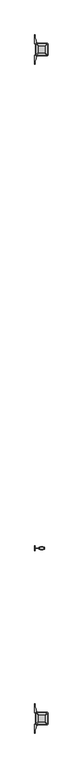
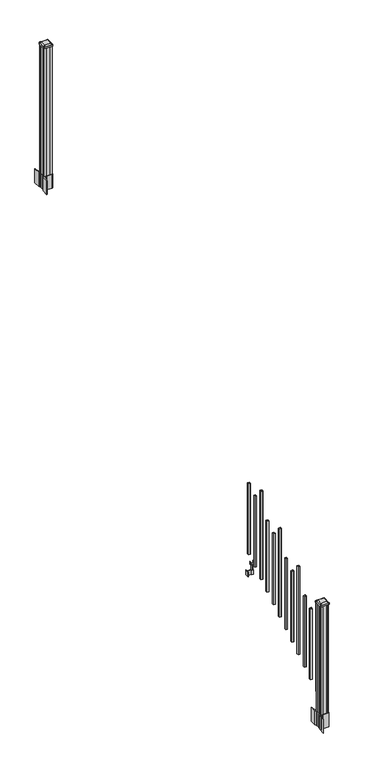
"""IFC4 building model written with IfcOpenShell, lengths in millimetres: railing geometry."""

from ifc_helpers import new_model, si_unit, point, frame, frame_2d, origin, place, context, project, spatial, polyline, circle_curve, trimmed, segment, composite_curve, outline, extrude, source, transform, mapped, element, save
from ifc_brep_helpers import plane_surface, extruded_surface, advanced_brep


def railing_dc10371b(model_context):
    return source(origin(), model_context, "Body", "SolidModel", [
        extrude(outline(polyline([(11084.3626478, -114690.6918453), (11065.3126478, -114690.6918453), (11065.3126478, -114671.6418453), (11084.3626478, -114671.6418453), (11084.3626478, -114690.6918453)]), holes=[polyline([(11083.9657728, -114690.2949703), (11083.9657728, -114672.0387203), (11065.7095228, -114672.0387203), (11065.7095228, -114690.2949703), (11083.9657728, -114690.2949703)])]), frame((0.0, 0.0, 1089.6558781), z_axis=(0.0, 0.0, 1.0), x_axis=(1.0, 0.0, 0.0)), (0.0, 0.0, 1.0), 774.7041219),
        extrude(outline(polyline([(11064.169648, -114738.0628453), (11024.7996478, -114738.0628453), (11024.7996478, -114735.5228453), (11064.169648, -114735.5228453), (11064.169648, -114738.0628453)])), frame((0.0, 0.0, 902.49375), z_axis=(0.0, 0.0, 1.0), x_axis=(1.0, 0.0, 0.0)), (0.0, 0.0, 1.0), 50.8),
        extrude(outline(polyline([(11024.7996478, -114755.8428453), (11022.2596478, -114755.8428453), (11022.2596478, -114717.7428453), (11024.7996478, -114717.7428453), (11024.7996478, -114755.8428453)])), frame((0.0, 0.0, 902.49375), z_axis=(0.0, 0.0, 1.0), x_axis=(1.0, 0.0, 0.0)), (0.0, 0.0, 1.0), 50.8),
        extrude(outline(polyline([(11085.5056485, -114746.6988453), (11064.169648, -114746.6988453), (11064.169648, -114726.8868453), (11085.5056485, -114726.8868453), (11085.5056485, -114746.6988453)]), holes=[polyline([(11082.2036484, -114744.1588453), (11082.2036484, -114729.4268453), (11067.4716481, -114729.4268453), (11067.4716481, -114744.1588453), (11082.2036484, -114744.1588453)])]), frame((0.0, 0.0, 902.49375), z_axis=(0.0, 0.0, 1.0), x_axis=(1.0, 0.0, 0.0)), (0.0, 0.0, 1.0), 50.8),
        extrude(outline(polyline([(1042.0141479, 11056.6766489), (1041.2521469, 11055.9146479), (1014.7617523, 11055.9146479), (1013.9997513, 11056.6766489), (1013.9997513, 11066.709648), (1013.2377512, 11067.4716481), (949.7377512, 11067.4716481), (949.7377512, 11082.2036484), (1013.2377512, 11082.2036484), (1013.9997513, 11082.9656485), (1013.9997513, 11092.9986475), (1014.7617523, 11093.7606486), (1041.2521469, 11093.7606486), (1042.0141479, 11092.9986475), (1042.0141479, 11090.966648), (1040.9981453, 11089.9506482), (1030.5623581, 11089.9506482), (1029.5463573, 11090.966648), (1017.555751, 11090.966648), (1016.7937519, 11090.2046488), (1016.7937519, 11059.4706477), (1017.555751, 11058.7086485), (1029.5463573, 11058.7086485), (1030.5623581, 11059.7246483), (1040.9981453, 11059.7246483), (1042.0141479, 11058.7086485), (1042.0141479, 11056.6766489)]), holes=[polyline([(1013.9997513, 11078.2666481), (1013.2377512, 11079.0286482), (957.2307531, 11079.0286482), (956.4687531, 11078.2666481), (956.4687531, 11071.4086455), (957.2307503, 11070.6466483), (1013.2377512, 11070.6466483), (1013.9997513, 11071.4086483), (1013.9997513, 11078.2666481)])]), frame((0.0, -114744.1588453, 0.0), z_axis=(0.0, 1.0, 0.0), x_axis=(0.0, 0.0, 1.0)), (0.0, 0.0, 1.0), 14.732),
        extrude(outline(polyline([(11084.3626478, -114801.9438453), (11065.3126478, -114801.9438453), (11065.3126478, -114782.8938453), (11084.3626478, -114782.8938453), (11084.3626478, -114801.9438453)]), holes=[polyline([(11083.9657728, -114801.5469703), (11083.9657728, -114783.2907203), (11065.7095228, -114783.2907203), (11065.7095228, -114801.5469703), (11083.9657728, -114801.5469703)])]), frame((0.0, 0.0, 1020.1233781), z_axis=(0.0, 0.0, 1.0), x_axis=(1.0, 0.0, 0.0)), (0.0, 0.0, 1.0), 774.7041219),
        extrude(outline(polyline([(11084.3626478, -114913.1958453), (11065.3126478, -114913.1958453), (11065.3126478, -114894.1458453), (11084.3626478, -114894.1458453), (11084.3626478, -114913.1958453)]), holes=[polyline([(11083.9657728, -114912.7989703), (11083.9657728, -114894.5427203), (11065.7095228, -114894.5427203), (11065.7095228, -114912.7989703), (11083.9657728, -114912.7989703)])]), frame((0.0, 0.0, 950.5908781), z_axis=(0.0, 0.0, 1.0), x_axis=(1.0, 0.0, 0.0)), (0.0, 0.0, 1.0), 965.2041219),
        extrude(outline(polyline([(11084.3626478, -115024.4478453), (11065.3126478, -115024.4478453), (11065.3126478, -115005.3978453), (11084.3626478, -115005.3978453), (11084.3626478, -115024.4478453)]), holes=[polyline([(11083.9657728, -115024.0509703), (11083.9657728, -115005.7947203), (11065.7095228, -115005.7947203), (11065.7095228, -115024.0509703), (11083.9657728, -115024.0509703)])]), frame((0.0, 0.0, 881.0583781), z_axis=(0.0, 0.0, 1.0), x_axis=(1.0, 0.0, 0.0)), (0.0, 0.0, 1.0), 774.7041219),
        extrude(outline(polyline([(11084.3626478, -115135.6998453), (11065.3126478, -115135.6998453), (11065.3126478, -115116.6498453), (11084.3626478, -115116.6498453), (11084.3626478, -115135.6998453)]), holes=[polyline([(11083.9657728, -115135.3029703), (11083.9657728, -115117.0467203), (11065.7095228, -115117.0467203), (11065.7095228, -115135.3029703), (11083.9657728, -115135.3029703)])]), frame((0.0, 0.0, 811.5258781), z_axis=(0.0, 0.0, 1.0), x_axis=(1.0, 0.0, 0.0)), (0.0, 0.0, 1.0), 774.7041219),
        extrude(outline(polyline([(11084.3626478, -115246.9518453), (11065.3126478, -115246.9518453), (11065.3126478, -115227.9018453), (11084.3626478, -115227.9018453), (11084.3626478, -115246.9518453)]), holes=[polyline([(11083.9657728, -115246.5549703), (11083.9657728, -115228.2987203), (11065.7095228, -115228.2987203), (11065.7095228, -115246.5549703), (11083.9657728, -115246.5549703)])]), frame((0.0, 0.0, 741.9933781), z_axis=(0.0, 0.0, 1.0), x_axis=(1.0, 0.0, 0.0)), (0.0, 0.0, 1.0), 965.2041219),
        extrude(outline(polyline([(11084.3626478, -115358.2038453), (11065.3126478, -115358.2038453), (11065.3126478, -115339.1538453), (11084.3626478, -115339.1538453), (11084.3626478, -115358.2038453)]), holes=[polyline([(11083.9657728, -115357.8069703), (11083.9657728, -115339.5507203), (11065.7095228, -115339.5507203), (11065.7095228, -115357.8069703), (11083.9657728, -115357.8069703)])]), frame((0.0, 0.0, 672.4608781), z_axis=(0.0, 0.0, 1.0), x_axis=(1.0, 0.0, 0.0)), (0.0, 0.0, 1.0), 774.7041219),
        extrude(outline(polyline([(11084.3626478, -115469.4558453), (11065.3126478, -115469.4558453), (11065.3126478, -115450.4058453), (11084.3626478, -115450.4058453), (11084.3626478, -115469.4558453)]), holes=[polyline([(11083.9657728, -115469.0589703), (11083.9657728, -115450.8027203), (11065.7095228, -115450.8027203), (11065.7095228, -115469.0589703), (11083.9657728, -115469.0589703)])]), frame((0.0, 0.0, 602.9283781), z_axis=(0.0, 0.0, 1.0), x_axis=(1.0, 0.0, 0.0)), (0.0, 0.0, 1.0), 774.7041219),
        extrude(outline(polyline([(11084.3626478, -115580.7078453), (11065.3126478, -115580.7078453), (11065.3126478, -115561.6578453), (11084.3626478, -115561.6578453), (11084.3626478, -115580.7078453)]), holes=[polyline([(11083.9657728, -115580.3109703), (11083.9657728, -115562.0547203), (11065.7095228, -115562.0547203), (11065.7095228, -115580.3109703), (11083.9657728, -115580.3109703)])]), frame((0.0, 0.0, 533.3958781), z_axis=(0.0, 0.0, 1.0), x_axis=(1.0, 0.0, 0.0)), (0.0, 0.0, 1.0), 965.2041219),
        extrude(outline(polyline([(11084.3626478, -115691.9598453), (11065.3126478, -115691.9598453), (11065.3126478, -115672.9098453), (11084.3626478, -115672.9098453), (11084.3626478, -115691.9598453)]), holes=[polyline([(11083.9657728, -115691.5629703), (11083.9657728, -115673.3067203), (11065.7095228, -115673.3067203), (11065.7095228, -115691.5629703), (11083.9657728, -115691.5629703)])]), frame((0.0, 0.0, 463.8633781), z_axis=(0.0, 0.0, 1.0), x_axis=(1.0, 0.0, 0.0)), (0.0, 0.0, 1.0), 774.7041219),
        extrude(outline(polyline([(11084.3626478, -115803.2118453), (11065.3126478, -115803.2118453), (11065.3126478, -115784.1618453), (11084.3626478, -115784.1618453), (11084.3626478, -115803.2118453)]), holes=[polyline([(11083.9657728, -115802.8149703), (11083.9657728, -115784.5587203), (11065.7095228, -115784.5587203), (11065.7095228, -115802.8149703), (11083.9657728, -115802.8149703)])]), frame((0.0, 0.0, 394.3308781), z_axis=(0.0, 0.0, 1.0), x_axis=(1.0, 0.0, 0.0)), (0.0, 0.0, 1.0), 774.7041219),
        extrude(outline(polyline([(11084.3626478, -115914.4638453), (11065.3126478, -115914.4638453), (11065.3126478, -115895.4138453), (11084.3626478, -115895.4138453), (11084.3626478, -115914.4638453)]), holes=[polyline([(11083.9657728, -115914.0669703), (11083.9657728, -115895.8107203), (11065.7095228, -115895.8107203), (11065.7095228, -115914.0669703), (11083.9657728, -115914.0669703)])]), frame((0.0, 0.0, 324.7983781), z_axis=(0.0, 0.0, 1.0), x_axis=(1.0, 0.0, 0.0)), (0.0, 0.0, 1.0), 965.2041219),
        extrude(outline(polyline([(11035.1501478, -111080.3358453), (11033.5626478, -111078.7483453), (11033.5626478, -111059.1268453), (11035.1501478, -111058.3648453), (11035.1501478, -111019.7568453), (11033.5626478, -111018.9948453), (11033.5626478, -110999.3733453), (11035.1501478, -110997.7858453), (11054.7716478, -110997.7858453), (11055.5336478, -110999.3733453), (11094.1416478, -110999.3733453), (11094.9036478, -110997.7858453), (11114.5251478, -110997.7858453), (11116.1126478, -110999.3733453), (11116.1126478, -111018.9948453), (11114.5251478, -111019.7568453), (11114.5251478, -111058.3648453), (11116.1126478, -111059.1268453), (11116.1126478, -111078.7483453), (11114.5251478, -111080.3358453), (11094.9036478, -111080.3358453), (11094.1416478, -111078.7483453), (11055.5336478, -111078.7483453), (11054.7716478, -111080.3358453), (11035.1501478, -111080.3358453)])), frame((0.0, 0.0, 3048.0), z_axis=(0.0, 0.0, 1.0), x_axis=(1.0, 0.0, 0.0)), (0.0, 0.0, 1.0), 1400.140513),
        extrude(outline(composite_curve([segment(polyline([(11117.5731478, -111056.4469401), (11119.1606478, -111057.2089401), (11119.1606478, -111080.0108682), (11115.7876707, -111083.3838453), (11054.3279999, -111083.3838453), (11054.3279999, -111084.3045953), (11049.0104561, -111084.3045953), (11049.0104561, -111085.75885), (11043.9259264, -111085.75885), (11043.9259264, -111087.0428738), (11042.2586541, -111087.0428738)]), True, "CONTINUOUS"), segment(trimmed(circle_curve(frame_2d((11042.2586541, -111094.1023337)), 7.0594599), [point((11042.2586541, -111087.0428738))], [point((11035.4913912, -111092.092327))], True, "CARTESIAN"), True, "CONTINUOUS"), segment(polyline([(11035.4913912, -111092.092327), (11027.6171969, -111118.6030561)]), True, "CONTINUOUS"), segment(trimmed(circle_curve(frame_2d((11082.4017103, -111134.8751057)), 57.15), [point((11027.6171969, -111118.6030561))], [point((11025.2517103, -111134.8751057))], True, "CARTESIAN"), True, "CONTINUOUS"), segment(polyline([(11025.2517103, -111134.8751057), (11025.2517103, -111146.8838453), (11022.2517103, -111146.8838453), (11022.2517103, -111081.7963453), (11030.5146478, -111070.458054), (11030.5146478, -111057.2089401), (11032.1021478, -111056.4469401), (11032.1021478, -111021.6747504), (11030.5146478, -111020.9127504), (11030.5146478, -111007.6636366), (11022.2517103, -110996.3253453), (11022.2517103, -110931.2378453), (11025.2517103, -110931.2378453), (11025.2517103, -110943.2465848)]), True, "CONTINUOUS"), segment(trimmed(circle_curve(frame_2d((11082.4017103, -110943.2465848)), 57.15), [point((11025.2517103, -110943.2465848))], [point((11027.6171969, -110959.5186345))], True, "CARTESIAN"), True, "CONTINUOUS"), segment(polyline([(11027.6171969, -110959.5186345), (11035.4913912, -110986.0293636)]), True, "CONTINUOUS"), segment(trimmed(circle_curve(frame_2d((11042.2586541, -110984.0193569)), 7.0594599), [point((11035.4913912, -110986.0293636))], [point((11042.2586541, -110991.0788168))], True, "CARTESIAN"), True, "CONTINUOUS"), segment(polyline([(11042.2586541, -110991.0788168), (11043.9259264, -110991.0788168), (11043.9259264, -110992.3628406), (11049.0104561, -110992.3628406), (11049.0104561, -110993.8170953), (11054.3279999, -110993.8170953), (11054.3279999, -110994.7378453), (11115.7876707, -110994.7378453), (11119.1606478, -110998.1108224), (11119.1606478, -111020.9127504), (11117.5731478, -111021.6747504), (11117.5731478, -111056.4469401)]), True, "CONTINUOUS")], self_intersect=False), holes=[polyline([(11033.5626478, -110999.3733453), (11033.5626478, -111078.7483453), (11035.1501478, -111080.3358453), (11072.0744304, -111080.3358453), (11114.5251478, -111080.3358453), (11116.1126478, -111078.7483453), (11116.1126478, -110999.3733453), (11114.5251478, -110997.7858453), (11072.0744304, -110997.7858453), (11035.1501478, -110997.7858453), (11033.5626478, -110999.3733453)])]), frame((0.0, 0.0, 2895.6), z_axis=(0.0, 0.0, 1.0), x_axis=(1.0, 0.0, 0.0)), (0.0, 0.0, 1.0), 152.4),
        advanced_brep(
        [(11049.0407728, -111068.0327203, 4476.715513), (11100.6345228, -111068.0327203, 4476.715513), (11103.8095228, -111064.8577203, 4476.715513), (11103.8095228, -111013.2639703, 4476.715513), (11100.6345228, -111010.0889703, 4476.715513), (11049.0407728, -111010.0889703, 4476.715513), (11045.8657728, -111013.2639703, 4476.715513), (11045.8657728, -111064.8577203, 4476.715513), (11032.7688978, -111084.3045953, 4465.412513), (11029.5938978, -111081.1295953, 4465.412513), (11029.5938978, -110996.9920953, 4465.412513), (11032.7688978, -110993.8170953, 4465.412513), (11116.9063978, -110993.8170953, 4465.412513), (11120.0813978, -110996.9920953, 4465.412513), (11120.0813978, -111081.1295953, 4465.412513), (11116.9063978, -111084.3045953, 4465.412513)],
        [
            (0, 1),
            (1, 2, circle_curve(frame((11100.6345228, -111064.8577203, 4476.715513), z_axis=(0.0, 0.0, 1.0), x_axis=(0.0, 1.0, 0.0)), 3.175)),
            (2, 3),
            (3, 4, circle_curve(frame((11100.6345228, -111013.2639703, 4476.715513), z_axis=(0.0, 0.0, 1.0), x_axis=(0.0, 1.0, 0.0)), 3.175)),
            (4, 5),
            (5, 6, circle_curve(frame((11049.0407728, -111013.2639703, 4476.715513), z_axis=(0.0, 0.0, 1.0), x_axis=(0.0, 1.0, 0.0)), 3.175)),
            (6, 7),
            (7, 0, circle_curve(frame((11049.0407728, -111064.8577203, 4476.715513), z_axis=(0.0, 0.0, 1.0), x_axis=(0.0, 1.0, 0.0)), 3.175)),
            (8, 9, circle_curve(frame((11032.7688978, -111081.1295953, 4465.412513), z_axis=(0.0, 0.0, -1.0), x_axis=(0.0, 1.0, 0.0)), 3.175)),
            (9, 10),
            (10, 11, circle_curve(frame((11032.7688978, -110996.9920953, 4465.412513), z_axis=(0.0, 0.0, -1.0), x_axis=(0.0, 1.0, 0.0)), 3.175)),
            (11, 12),
            (12, 13, circle_curve(frame((11116.9063978, -110996.9920953, 4465.412513), z_axis=(0.0, 0.0, -1.0), x_axis=(0.0, 1.0, 0.0)), 3.175)),
            (13, 14),
            (14, 15, circle_curve(frame((11116.9063978, -111081.1295953, 4465.412513), z_axis=(0.0, 0.0, -1.0), x_axis=(0.0, 1.0, 0.0)), 3.175)),
            (15, 8),
            (8, 0),
            (7, 9),
            (6, 10),
            (5, 11),
            (4, 12),
            (3, 13),
            (2, 14),
            (1, 15),
        ],
        [
            plane_surface(frame((11074.8376478, -111039.0608453, 4476.715513), z_axis=(0.0, 0.0, 1.0), x_axis=(-1.0, 0.0, 0.0))),
            plane_surface(frame((11074.8376478, -111039.0608453, 4465.412513), z_axis=(0.0, 0.0, -1.0), x_axis=(-1.0, 0.0, 0.0))),
            extruded_surface(trimmed(circle_curve(frame((11049.0407728, -111064.8577203, 4476.715513), z_axis=(0.0, 0.0, -1.0), x_axis=(0.0, 1.0, 0.0)), 3.175), [point((11049.0407728, -111068.0327203, 4476.715513))], [point((11045.8657728, -111064.8577203, 4476.715513))], True, "CARTESIAN"), (-16.271874999998545, -16.27187499999127, -11.302999999999884), 25.637972638859644),
            plane_surface(frame((11029.5938978, -111039.0608453, 4465.412513), z_axis=(-0.5705009161540685, 0.0, 0.8212969649690474), x_axis=(0.0, 1.0, 0.0))),
            extruded_surface(trimmed(circle_curve(frame((11049.0407728, -111013.2639703, 4476.715513), z_axis=(0.0, 0.0, -1.0), x_axis=(0.0, 1.0, 0.0)), 3.175), [point((11045.8657728, -111013.2639703, 4476.715513))], [point((11049.0407728, -111010.0889703, 4476.715513))], True, "CARTESIAN"), (-16.271874999998545, 16.27187500000582, -11.302999999999884), 25.63797263886888),
            plane_surface(frame((11074.8376478, -110993.8170953, 4465.412513), z_axis=(0.0, 0.5705009161540291, 0.8212969649690747), x_axis=(1.0, 0.0, 0.0))),
            extruded_surface(trimmed(circle_curve(frame((11100.6345228, -111013.2639703, 4476.715513), z_axis=(0.0, 0.0, -1.0), x_axis=(0.0, 1.0, 0.0)), 3.175), [point((11100.6345228, -111010.0889703, 4476.715513))], [point((11103.8095228, -111013.2639703, 4476.715513))], True, "CARTESIAN"), (16.271875000000364, 16.27187500000582, -11.302999999999884), 25.637972638870036),
            plane_surface(frame((11120.0813978, -111039.0608453, 4465.412513), z_axis=(0.5705009161540235, 0.0, 0.8212969649690786), x_axis=(0.0, -1.0, 0.0))),
            extruded_surface(trimmed(circle_curve(frame((11100.6345228, -111064.8577203, 4476.715513), z_axis=(0.0, 0.0, -1.0), x_axis=(0.0, 1.0, 0.0)), 3.175), [point((11103.8095228, -111064.8577203, 4476.715513))], [point((11100.6345228, -111068.0327203, 4476.715513))], True, "CARTESIAN"), (16.271875000000364, -16.27187499999127, -11.302999999999884), 25.637972638860802),
            plane_surface(frame((11074.8376478, -111084.3045953, 4465.412513), z_axis=(0.0, -0.570500916154034, 0.8212969649690713), x_axis=(-1.0, 0.0, 0.0))),
        ],
        [
            (0, [[1, 2, 3, 4, 5, 6, 7, 8]]),
            (1, [[9, 10, 11, 12, 13, 14, 15, 16]]),
            (2, [[17, -8, 18, -9]]),
            (3, [[-18, -7, 19, -10]]),
            (4, [[-19, -6, 20, -11]]),
            (5, [[-20, -5, 21, -12]]),
            (6, [[-21, -4, 22, -13]]),
            (7, [[-22, -3, 23, -14]]),
            (8, [[-23, -2, 24, -15]]),
            (9, [[-24, -1, -17, -16]]),
        ],
    ),
        extrude(outline(composite_curve([segment(trimmed(circle_curve(frame_2d((11032.7688978, -111081.1295953)), 3.175), [point((11032.7688978, -111084.3045953))], [point((11029.5938978, -111081.1295953))], False, "CARTESIAN"), True, "CONTINUOUS"), segment(polyline([(11029.5938978, -111081.1295953), (11029.5938978, -110996.9920953)]), True, "CONTINUOUS"), segment(trimmed(circle_curve(frame_2d((11032.7688978, -110996.9920953)), 3.175), [point((11029.5938978, -110996.9920953))], [point((11032.7688978, -110993.8170953))], False, "CARTESIAN"), True, "CONTINUOUS"), segment(polyline([(11032.7688978, -110993.8170953), (11116.9063978, -110993.8170953)]), True, "CONTINUOUS"), segment(trimmed(circle_curve(frame_2d((11116.9063978, -110996.9920953)), 3.175), [point((11116.9063978, -110993.8170953))], [point((11120.0813978, -110996.9920953))], False, "CARTESIAN"), True, "CONTINUOUS"), segment(polyline([(11120.0813978, -110996.9920953), (11120.0813978, -111081.1295953)]), True, "CONTINUOUS"), segment(trimmed(circle_curve(frame_2d((11116.9063978, -111081.1295953)), 3.175), [point((11120.0813978, -111081.1295953))], [point((11116.9063978, -111084.3045953))], False, "CARTESIAN"), True, "CONTINUOUS"), segment(polyline([(11116.9063978, -111084.3045953), (11032.7688978, -111084.3045953)]), True, "CONTINUOUS")], self_intersect=False)), frame((0.0, 0.0, 4448.140513), z_axis=(0.0, 0.0, 1.0), x_axis=(1.0, 0.0, 0.0)), (0.0, 0.0, 1.0), 17.272),
        extrude(outline(composite_curve([segment(polyline([(11117.5731478, -116016.0509401), (11119.1606478, -116016.8129401), (11119.1606478, -116039.6148682), (11115.7876707, -116042.9878453), (11054.3279999, -116042.9878453), (11054.3279999, -116043.9085953), (11049.0104561, -116043.9085953), (11049.0104561, -116045.36285), (11043.9259264, -116045.36285), (11043.9259264, -116046.6468738), (11042.2586541, -116046.6468738)]), True, "CONTINUOUS"), segment(trimmed(circle_curve(frame_2d((11042.2586541, -116053.7063337)), 7.0594599), [point((11042.2586541, -116046.6468738))], [point((11035.4913912, -116051.696327))], True, "CARTESIAN"), True, "CONTINUOUS"), segment(polyline([(11035.4913912, -116051.696327), (11027.6171969, -116078.2070561)]), True, "CONTINUOUS"), segment(trimmed(circle_curve(frame_2d((11082.4017103, -116094.4791057)), 57.15), [point((11027.6171969, -116078.2070561))], [point((11025.2517103, -116094.4791057))], True, "CARTESIAN"), True, "CONTINUOUS"), segment(polyline([(11025.2517103, -116094.4791057), (11025.2517103, -116106.4878453), (11022.2517103, -116106.4878453), (11022.2517103, -116041.4003453), (11030.5146478, -116030.062054), (11030.5146478, -116016.8129401), (11032.1021478, -116016.0509401), (11032.1021478, -115981.2787504), (11030.5146478, -115980.5167504), (11030.5146478, -115967.2676366), (11022.2517103, -115955.9293453), (11022.2517103, -115890.8418453), (11025.2517103, -115890.8418453), (11025.2517103, -115902.8505848)]), True, "CONTINUOUS"), segment(trimmed(circle_curve(frame_2d((11082.4017103, -115902.8505848)), 57.15), [point((11025.2517103, -115902.8505848))], [point((11027.6171969, -115919.1226345))], True, "CARTESIAN"), True, "CONTINUOUS"), segment(polyline([(11027.6171969, -115919.1226345), (11035.4913912, -115945.6333636)]), True, "CONTINUOUS"), segment(trimmed(circle_curve(frame_2d((11042.2586541, -115943.6233569)), 7.0594599), [point((11035.4913912, -115945.6333636))], [point((11042.2586541, -115950.6828168))], True, "CARTESIAN"), True, "CONTINUOUS"), segment(polyline([(11042.2586541, -115950.6828168), (11043.9259264, -115950.6828168), (11043.9259264, -115951.9668406), (11049.0104561, -115951.9668406), (11049.0104561, -115953.4210953), (11054.3279999, -115953.4210953), (11054.3279999, -115954.3418453), (11115.7876707, -115954.3418453), (11119.1606478, -115957.7148224), (11119.1606478, -115980.5167504), (11117.5731478, -115981.2787504), (11117.5731478, -116016.0509401)]), True, "CONTINUOUS")], self_intersect=False), holes=[polyline([(11033.5626478, -115958.9773453), (11033.5626478, -116038.3523453), (11035.1501478, -116039.9398453), (11072.0744304, -116039.9398453), (11114.5251478, -116039.9398453), (11116.1126478, -116038.3523453), (11116.1126478, -115958.9773453), (11114.5251478, -115957.3898453), (11072.0744304, -115957.3898453), (11035.1501478, -115957.3898453), (11033.5626478, -115958.9773453)])]), frame((0.0, 0.0, 12.22375), z_axis=(0.0, 0.0, 1.0), x_axis=(1.0, 0.0, 0.0)), (0.0, 0.0, 1.0), 152.4),
        advanced_brep(
        [(11049.0407728, -116027.6367203, 1376.963013), (11100.6345228, -116027.6367203, 1376.963013), (11103.8095228, -116024.4617203, 1376.963013), (11103.8095228, -115972.8679703, 1376.963013), (11100.6345228, -115969.6929703, 1376.963013), (11049.0407728, -115969.6929703, 1376.963013), (11045.8657728, -115972.8679703, 1376.963013), (11045.8657728, -116024.4617203, 1376.963013), (11032.7688978, -116043.9085953, 1365.660013), (11029.5938978, -116040.7335953, 1365.660013), (11029.5938978, -115956.5960953, 1365.660013), (11032.7688978, -115953.4210953, 1365.660013), (11116.9063978, -115953.4210953, 1365.660013), (11120.0813978, -115956.5960953, 1365.660013), (11120.0813978, -116040.7335953, 1365.660013), (11116.9063978, -116043.9085953, 1365.660013)],
        [
            (0, 1),
            (1, 2, circle_curve(frame((11100.6345228, -116024.4617203, 1376.963013), z_axis=(0.0, 0.0, 1.0), x_axis=(0.0, 1.0, 0.0)), 3.175)),
            (2, 3),
            (3, 4, circle_curve(frame((11100.6345228, -115972.8679703, 1376.963013), z_axis=(0.0, 0.0, 1.0), x_axis=(0.0, 1.0, 0.0)), 3.175)),
            (4, 5),
            (5, 6, circle_curve(frame((11049.0407728, -115972.8679703, 1376.963013), z_axis=(0.0, 0.0, 1.0), x_axis=(0.0, 1.0, 0.0)), 3.175)),
            (6, 7),
            (7, 0, circle_curve(frame((11049.0407728, -116024.4617203, 1376.963013), z_axis=(0.0, 0.0, 1.0), x_axis=(0.0, 1.0, 0.0)), 3.175)),
            (8, 9, circle_curve(frame((11032.7688978, -116040.7335953, 1365.660013), z_axis=(0.0, 0.0, -1.0), x_axis=(0.0, 1.0, 0.0)), 3.175)),
            (9, 10),
            (10, 11, circle_curve(frame((11032.7688978, -115956.5960953, 1365.660013), z_axis=(0.0, 0.0, -1.0), x_axis=(0.0, 1.0, 0.0)), 3.175)),
            (11, 12),
            (12, 13, circle_curve(frame((11116.9063978, -115956.5960953, 1365.660013), z_axis=(0.0, 0.0, -1.0), x_axis=(0.0, 1.0, 0.0)), 3.175)),
            (13, 14),
            (14, 15, circle_curve(frame((11116.9063978, -116040.7335953, 1365.660013), z_axis=(0.0, 0.0, -1.0), x_axis=(0.0, 1.0, 0.0)), 3.175)),
            (15, 8),
            (8, 0),
            (7, 9),
            (6, 10),
            (5, 11),
            (4, 12),
            (3, 13),
            (2, 14),
            (1, 15),
        ],
        [
            plane_surface(frame((11074.8376478, -115998.6648453, 1376.963013), z_axis=(0.0, 0.0, 1.0), x_axis=(-1.0, 0.0, 0.0))),
            plane_surface(frame((11074.8376478, -115998.6648453, 1365.660013), z_axis=(0.0, 0.0, -1.0), x_axis=(-1.0, 0.0, 0.0))),
            extruded_surface(trimmed(circle_curve(frame((11049.0407728, -116024.4617203, 1376.963013), z_axis=(0.0, 0.0, -1.0), x_axis=(0.0, 1.0, 0.0)), 3.175), [point((11049.0407728, -116027.6367203, 1376.963013))], [point((11045.8657728, -116024.4617203, 1376.963013))], True, "CARTESIAN"), (-16.271874999998545, -16.27187500000582, -11.303000000000111), 25.63797263886898),
            plane_surface(frame((11029.5938978, -115998.6648453, 1365.660013), z_axis=(-0.5705009161540778, 0.0, 0.8212969649690408), x_axis=(0.0, 1.0, 0.0))),
            extruded_surface(trimmed(circle_curve(frame((11049.0407728, -115972.8679703, 1376.963013), z_axis=(0.0, 0.0, -1.0), x_axis=(0.0, 1.0, 0.0)), 3.175), [point((11045.8657728, -115972.8679703, 1376.963013))], [point((11049.0407728, -115969.6929703, 1376.963013))], True, "CARTESIAN"), (-16.271874999998545, 16.27187499999127, -11.303000000000111), 25.637972638859747),
            plane_surface(frame((11074.8376478, -115953.4210953, 1365.660013), z_axis=(0.0, 0.5705009161540291, 0.8212969649690747), x_axis=(1.0, 0.0, 0.0))),
            extruded_surface(trimmed(circle_curve(frame((11100.6345228, -115972.8679703, 1376.963013), z_axis=(0.0, 0.0, -1.0), x_axis=(0.0, 1.0, 0.0)), 3.175), [point((11100.6345228, -115969.6929703, 1376.963013))], [point((11103.8095228, -115972.8679703, 1376.963013))], True, "CARTESIAN"), (16.271875000000364, 16.27187499999127, -11.303000000000111), 25.6379726388609),
            plane_surface(frame((11120.0813978, -115998.6648453, 1365.660013), z_axis=(0.5705009161540142, 0.0, 0.8212969649690851), x_axis=(0.0, -1.0, 0.0))),
            extruded_surface(trimmed(circle_curve(frame((11100.6345228, -116024.4617203, 1376.963013), z_axis=(0.0, 0.0, -1.0), x_axis=(0.0, 1.0, 0.0)), 3.175), [point((11103.8095228, -116024.4617203, 1376.963013))], [point((11100.6345228, -116027.6367203, 1376.963013))], True, "CARTESIAN"), (16.271875000000364, -16.27187500000582, -11.303000000000111), 25.63797263887014),
            plane_surface(frame((11074.8376478, -116043.9085953, 1365.660013), z_axis=(0.0, -0.570500916154034, 0.8212969649690713), x_axis=(-1.0, 0.0, 0.0))),
        ],
        [
            (0, [[1, 2, 3, 4, 5, 6, 7, 8]]),
            (1, [[9, 10, 11, 12, 13, 14, 15, 16]]),
            (2, [[17, -8, 18, -9]]),
            (3, [[-18, -7, 19, -10]]),
            (4, [[-19, -6, 20, -11]]),
            (5, [[-20, -5, 21, -12]]),
            (6, [[-21, -4, 22, -13]]),
            (7, [[-22, -3, 23, -14]]),
            (8, [[-23, -2, 24, -15]]),
            (9, [[-24, -1, -17, -16]]),
        ],
    ),
        extrude(outline(composite_curve([segment(trimmed(circle_curve(frame_2d((11032.7688978, -116040.7335953)), 3.175), [point((11032.7688978, -116043.9085953))], [point((11029.5938978, -116040.7335953))], False, "CARTESIAN"), True, "CONTINUOUS"), segment(polyline([(11029.5938978, -116040.7335953), (11029.5938978, -115956.5960953)]), True, "CONTINUOUS"), segment(trimmed(circle_curve(frame_2d((11032.7688978, -115956.5960953)), 3.175), [point((11029.5938978, -115956.5960953))], [point((11032.7688978, -115953.4210953))], False, "CARTESIAN"), True, "CONTINUOUS"), segment(polyline([(11032.7688978, -115953.4210953), (11116.9063978, -115953.4210953)]), True, "CONTINUOUS"), segment(trimmed(circle_curve(frame_2d((11116.9063978, -115956.5960953)), 3.175), [point((11116.9063978, -115953.4210953))], [point((11120.0813978, -115956.5960953))], False, "CARTESIAN"), True, "CONTINUOUS"), segment(polyline([(11120.0813978, -115956.5960953), (11120.0813978, -116040.7335953)]), True, "CONTINUOUS"), segment(trimmed(circle_curve(frame_2d((11116.9063978, -116040.7335953)), 3.175), [point((11120.0813978, -116040.7335953))], [point((11116.9063978, -116043.9085953))], False, "CARTESIAN"), True, "CONTINUOUS"), segment(polyline([(11116.9063978, -116043.9085953), (11032.7688978, -116043.9085953)]), True, "CONTINUOUS")], self_intersect=False)), frame((0.0, 0.0, 1348.388013), z_axis=(0.0, 0.0, 1.0), x_axis=(1.0, 0.0, 0.0)), (0.0, 0.0, 1.0), 17.272),
        extrude(outline(polyline([(11035.1501478, -116039.9398453), (11033.5626478, -116038.3523453), (11033.5626478, -116018.7308453), (11035.1501478, -116017.9688453), (11035.1501478, -115979.3608453), (11033.5626478, -115978.5988453), (11033.5626478, -115958.9773453), (11035.1501478, -115957.3898453), (11054.7716478, -115957.3898453), (11055.5336478, -115958.9773453), (11094.1416478, -115958.9773453), (11094.9036478, -115957.3898453), (11114.5251478, -115957.3898453), (11116.1126478, -115958.9773453), (11116.1126478, -115978.5988453), (11114.5251478, -115979.3608453), (11114.5251478, -116017.9688453), (11116.1126478, -116018.7308453), (11116.1126478, -116038.3523453), (11114.5251478, -116039.9398453), (11094.9036478, -116039.9398453), (11094.1416478, -116038.3523453), (11055.5336478, -116038.3523453), (11054.7716478, -116039.9398453), (11035.1501478, -116039.9398453)])), frame((0.0, 0.0, 164.62375), z_axis=(0.0, 0.0, 1.0), x_axis=(1.0, 0.0, 0.0)), (0.0, 0.0, 1.0), 1183.764263),
    ])


if __name__ == "__main__":
    model = new_model("IFC4")
    model_context = context("Model", 3, world=origin())
    ifc_project = project(units=[si_unit("LENGTHUNIT", "METRE", prefix="MILLI")], contexts=[model_context])
    site = spatial("IfcSite", under=ifc_project)
    building = spatial("IfcBuilding", under=site)
    placement = place(None, origin())
    railing_shape = railing_dc10371b(model_context)
    element("IfcRailing", 1, at=placement, inside=building, context=model_context, shape_type="MappedRepresentation", body=[
        mapped(railing_shape, transform((0.0, 0.0, 0.0), x_axis=(1.0, 0.0, 0.0), y_axis=(0.0, 1.0, 0.0), z_axis=(0.0, 0.0, 1.0))),
    ])
    save(model, "model.ifc")
